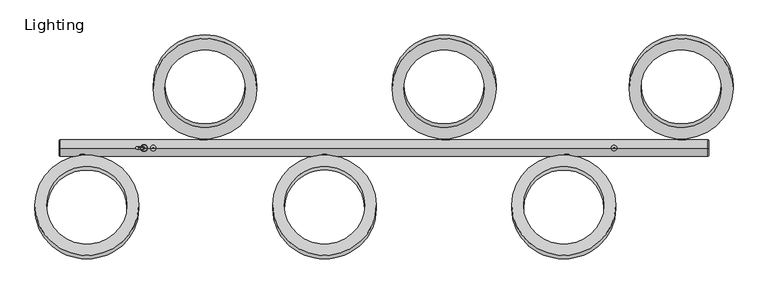
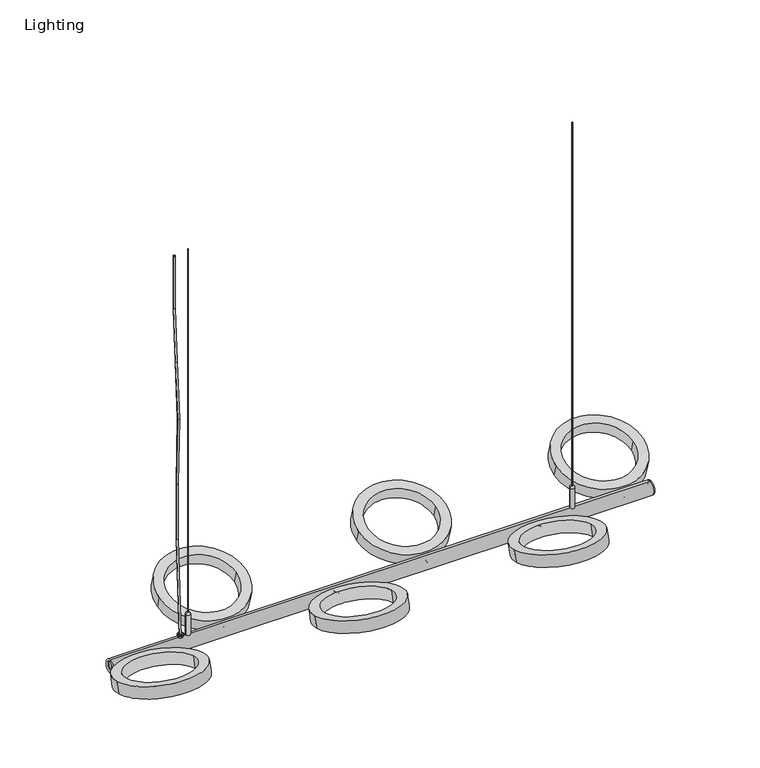
"""IFC4 building model written with IfcOpenShell, lengths in millimetres: furniture geometry, Lighting."""

from ifc_helpers import new_model, si_unit, point, frame, frame_2d, origin, place, context, project, spatial, polyline, circle_curve, ellipse_curve, trimmed, segment, composite_curve, outline, extrude, source, transform, mapped, element, save
from ifc_brep_helpers import plane_surface, cylinder_surface, revolved_surface, advanced_brep


def lighting_e802a962(model_context):
    return source(origin(), model_context, "Body", "SolidModel", [
        advanced_brep(
        [(768.35, 9.7185851, 1980.2969456), (768.35, 5.6744884, 1995.3897198), (768.35, 7.6965367, 1987.8433327), (768.35, 19.7969843, 1982.9974445), (768.35, 15.7528877, 1998.0902188), (768.35, 20.0515352, 1982.0474479), (768.35, 15.4983368, 1999.0402154), (768.35, 29.6146107, 1984.6098662), (768.35, 25.0614124, 2001.6026338), (768.35, 27.3380116, 1993.10625)],
        [
            (0, 1, circle_curve(frame((768.35, 7.6965367, 1987.8433327), z_axis=(0.0, -0.9659258262890604, -0.25881904510255016), x_axis=(0.0, -0.25881904510255016, 0.9659258262890604)), 7.8125948)),
            (1, 2),
            (2, 0),
            (1, 0, circle_curve(frame((768.35, 7.6965367, 1987.8433327), z_axis=(0.0, -0.9659258262890604, -0.25881904510255016), x_axis=(0.0, -0.25881904510255016, 0.9659258262890604)), 7.8125948)),
            (3, 4, circle_curve(frame((768.35, 17.774936, 1990.5438316), z_axis=(0.0, -0.9659258262890604, -0.25881904510255016), x_axis=(0.0, -0.25881904510255016, 0.9659258262890604)), 7.8125948)),
            (4, 1),
            (0, 3),
            (4, 3, circle_curve(frame((768.35, 17.774936, 1990.5438316), z_axis=(0.0, -0.9659258262890604, -0.25881904510255016), x_axis=(0.0, -0.25881904510255016, 0.9659258262890604)), 7.8125948)),
            (5, 6, circle_curve(frame((768.35, 17.774936, 1990.5438316), z_axis=(0.0, -0.9659258262890604, -0.25881904510255016), x_axis=(0.0, -0.25881904510255016, 0.9659258262890604)), 8.7961037)),
            (6, 4),
            (3, 5),
            (6, 5, circle_curve(frame((768.35, 17.774936, 1990.5438316), z_axis=(0.0, -0.9659258262890604, -0.25881904510255016), x_axis=(0.0, -0.25881904510255016, 0.9659258262890604)), 8.7961037)),
            (7, 8, circle_curve(frame((768.35, 27.3380116, 1993.10625), z_axis=(0.0, -0.9659258262890604, -0.25881904510255016), x_axis=(0.0, -0.25881904510255016, 0.9659258262890604)), 8.7961037)),
            (8, 6),
            (5, 7),
            (8, 7, circle_curve(frame((768.35, 27.3380116, 1993.10625), z_axis=(0.0, -0.9659258262890604, -0.25881904510255016), x_axis=(0.0, -0.25881904510255016, 0.9659258262890604)), 8.7961037)),
            (9, 8),
            (7, 9),
        ],
        [
            plane_surface(frame((768.35, 7.6965367, 1987.8433327), z_axis=(0.0, -0.9659258262890604, -0.25881904510255016), x_axis=(0.0, -0.25881904510255016, 0.9659258262890604))),
            cylinder_surface(frame((768.35, 22.6111209, 1991.8396835), z_axis=(0.0, 0.9659258262890604, 0.25881904510255016), x_axis=(0.0, -0.25881904510255016, 0.9659258262890604)), 7.8125948),
            plane_surface(frame((768.35, 17.774936, 1990.5438316), z_axis=(0.0, -0.9659258262890604, -0.25881904510255016), x_axis=(0.0, -0.25881904510255016, 0.9659258262890604))),
            cylinder_surface(frame((768.35, 22.6111209, 1991.8396835), z_axis=(0.0, 0.9659258262890604, 0.25881904510255016), x_axis=(0.0, -0.25881904510255016, 0.9659258262890604)), 8.7961037),
            plane_surface(frame((768.35, 27.3380116, 1993.10625), z_axis=(0.0, 0.9659258262890604, 0.25881904510255016), x_axis=(0.0, -0.25881904510255016, 0.9659258262890604))),
        ],
        [
            (0, [[1, 2, 3]]),
            (0, [[4, -3, -2]]),
            (1, [[5, 6, -1, 7]]),
            (1, [[8, -7, -4, -6]]),
            (2, [[9, 10, -5, 11]]),
            (2, [[12, -11, -8, -10]]),
            (3, [[13, 14, -9, 15]]),
            (3, [[16, -15, -12, -14]]),
            (4, [[17, -13, 18]]),
            (4, [[-18, -16, -17]]),
        ],
    ),
        advanced_brep(
        [(260.35, 9.7185851, 1980.2969456), (260.35, 5.6744884, 1995.3897198), (260.35, 7.6965367, 1987.8433327), (260.35, 19.7969843, 1982.9974445), (260.35, 15.7528877, 1998.0902188), (260.35, 20.0515352, 1982.0474479), (260.35, 15.4983368, 1999.0402154), (260.35, 29.6146107, 1984.6098662), (260.35, 25.0614124, 2001.6026338), (260.35, 27.3380116, 1993.10625)],
        [
            (0, 1, circle_curve(frame((260.35, 7.6965367, 1987.8433327), z_axis=(0.0, -0.9659258262890604, -0.25881904510255016), x_axis=(0.0, -0.25881904510255016, 0.9659258262890604)), 7.8125948)),
            (1, 2),
            (2, 0),
            (1, 0, circle_curve(frame((260.35, 7.6965367, 1987.8433327), z_axis=(0.0, -0.9659258262890604, -0.25881904510255016), x_axis=(0.0, -0.25881904510255016, 0.9659258262890604)), 7.8125948)),
            (3, 4, circle_curve(frame((260.35, 17.774936, 1990.5438316), z_axis=(0.0, -0.9659258262890604, -0.25881904510255016), x_axis=(0.0, -0.25881904510255016, 0.9659258262890604)), 7.8125948)),
            (4, 1),
            (0, 3),
            (4, 3, circle_curve(frame((260.35, 17.774936, 1990.5438316), z_axis=(0.0, -0.9659258262890604, -0.25881904510255016), x_axis=(0.0, -0.25881904510255016, 0.9659258262890604)), 7.8125948)),
            (5, 6, circle_curve(frame((260.35, 17.774936, 1990.5438316), z_axis=(0.0, -0.9659258262890604, -0.25881904510255016), x_axis=(0.0, -0.25881904510255016, 0.9659258262890604)), 8.7961037)),
            (6, 4),
            (3, 5),
            (6, 5, circle_curve(frame((260.35, 17.774936, 1990.5438316), z_axis=(0.0, -0.9659258262890604, -0.25881904510255016), x_axis=(0.0, -0.25881904510255016, 0.9659258262890604)), 8.7961037)),
            (7, 8, circle_curve(frame((260.35, 27.3380116, 1993.10625), z_axis=(0.0, -0.9659258262890604, -0.25881904510255016), x_axis=(0.0, -0.25881904510255016, 0.9659258262890604)), 8.7961037)),
            (8, 6),
            (5, 7),
            (8, 7, circle_curve(frame((260.35, 27.3380116, 1993.10625), z_axis=(0.0, -0.9659258262890604, -0.25881904510255016), x_axis=(0.0, -0.25881904510255016, 0.9659258262890604)), 8.7961037)),
            (9, 8),
            (7, 9),
        ],
        [
            plane_surface(frame((260.35, 7.6965367, 1987.8433327), z_axis=(0.0, -0.9659258262890604, -0.25881904510255016), x_axis=(0.0, -0.25881904510255016, 0.9659258262890604))),
            cylinder_surface(frame((260.35, 22.6111209, 1991.8396835), z_axis=(0.0, 0.9659258262890604, 0.25881904510255016), x_axis=(0.0, -0.25881904510255016, 0.9659258262890604)), 7.8125948),
            plane_surface(frame((260.35, 17.774936, 1990.5438316), z_axis=(0.0, -0.9659258262890604, -0.25881904510255016), x_axis=(0.0, -0.25881904510255016, 0.9659258262890604))),
            cylinder_surface(frame((260.35, 22.6111209, 1991.8396835), z_axis=(0.0, 0.9659258262890604, 0.25881904510255016), x_axis=(0.0, -0.25881904510255016, 0.9659258262890604)), 8.7961037),
            plane_surface(frame((260.35, 27.3380116, 1993.10625), z_axis=(0.0, 0.9659258262890604, 0.25881904510255016), x_axis=(0.0, -0.25881904510255016, 0.9659258262890604))),
        ],
        [
            (0, [[1, 2, 3]]),
            (0, [[4, -3, -2]]),
            (1, [[5, 6, -1, 7]]),
            (1, [[8, -7, -4, -6]]),
            (2, [[9, 10, -5, 11]]),
            (2, [[12, -11, -8, -10]]),
            (3, [[13, 14, -9, 15]]),
            (3, [[16, -15, -12, -14]]),
            (4, [[17, -13, 18]]),
            (4, [[-18, -16, -17]]),
        ],
    ),
        advanced_brep(
        [(-260.35, 7.6965367, 1987.8433327), (-260.35, 5.6744884, 1995.3897198), (-260.35, 9.7185851, 1980.2969456), (-260.35, 15.7528877, 1998.0902188), (-260.35, 19.7969843, 1982.9974445), (-260.35, 15.4983368, 1999.0402154), (-260.35, 20.0515352, 1982.0474479), (-260.35, 25.0614124, 2001.6026338), (-260.35, 29.6146107, 1984.6098662), (-260.35, 27.3380116, 1993.10625)],
        [
            (0, 1),
            (1, 2, circle_curve(frame((-260.35, 7.6965367, 1987.8433327), z_axis=(0.0, -0.9659258262890604, -0.25881904510255016), x_axis=(0.0, -0.25881904510255016, 0.9659258262890604)), 7.8125948)),
            (2, 0),
            (2, 1, circle_curve(frame((-260.35, 7.6965367, 1987.8433327), z_axis=(0.0, -0.9659258262890604, -0.25881904510255016), x_axis=(0.0, -0.25881904510255016, 0.9659258262890604)), 7.8125948)),
            (1, 3),
            (3, 4, circle_curve(frame((-260.35, 17.774936, 1990.5438316), z_axis=(0.0, -0.9659258262890604, -0.25881904510255016), x_axis=(0.0, -0.25881904510255016, 0.9659258262890604)), 7.8125948)),
            (4, 2),
            (4, 3, circle_curve(frame((-260.35, 17.774936, 1990.5438316), z_axis=(0.0, -0.9659258262890604, -0.25881904510255016), x_axis=(0.0, -0.25881904510255016, 0.9659258262890604)), 7.8125948)),
            (3, 5),
            (5, 6, circle_curve(frame((-260.35, 17.774936, 1990.5438316), z_axis=(0.0, -0.9659258262890604, -0.25881904510255016), x_axis=(0.0, -0.25881904510255016, 0.9659258262890604)), 8.7961037)),
            (6, 4),
            (6, 5, circle_curve(frame((-260.35, 17.774936, 1990.5438316), z_axis=(0.0, -0.9659258262890604, -0.25881904510255016), x_axis=(0.0, -0.25881904510255016, 0.9659258262890604)), 8.7961037)),
            (5, 7),
            (7, 8, circle_curve(frame((-260.35, 27.3380116, 1993.10625), z_axis=(0.0, -0.9659258262890604, -0.25881904510255016), x_axis=(0.0, -0.25881904510255016, 0.9659258262890604)), 8.7961037)),
            (8, 6),
            (8, 7, circle_curve(frame((-260.35, 27.3380116, 1993.10625), z_axis=(0.0, -0.9659258262890604, -0.25881904510255016), x_axis=(0.0, -0.25881904510255016, 0.9659258262890604)), 8.7961037)),
            (7, 9),
            (9, 8),
        ],
        [
            plane_surface(frame((-260.35, 7.6965367, 1987.8433327), z_axis=(0.0, -0.9659258262890604, -0.25881904510255016), x_axis=(0.0, -0.25881904510255016, 0.9659258262890604))),
            cylinder_surface(frame((-260.35, 22.6111209, 1991.8396835), z_axis=(0.0, -0.9659258262890604, -0.25881904510255016), x_axis=(0.0, -0.25881904510255016, 0.9659258262890604)), 7.8125948),
            plane_surface(frame((-260.35, 17.774936, 1990.5438316), z_axis=(0.0, -0.9659258262890604, -0.25881904510255016), x_axis=(0.0, -0.25881904510255016, 0.9659258262890604))),
            cylinder_surface(frame((-260.35, 22.6111209, 1991.8396835), z_axis=(0.0, -0.9659258262890604, -0.25881904510255016), x_axis=(0.0, -0.25881904510255016, 0.9659258262890604)), 8.7961037),
            plane_surface(frame((-260.35, 27.3380116, 1993.10625), z_axis=(0.0, 0.9659258262890604, 0.25881904510255016), x_axis=(0.0, -0.25881904510255016, 0.9659258262890604))),
        ],
        [
            (0, [[1, 2, 3]]),
            (0, [[-3, 4, -1]]),
            (1, [[-2, 5, 6, 7]]),
            (1, [[-4, -7, 8, -5]]),
            (2, [[-6, 9, 10, 11]]),
            (2, [[-8, -11, 12, -9]]),
            (3, [[-10, 13, 14, 15]]),
            (3, [[-12, -15, 16, -13]]),
            (4, [[-14, 17, 18]]),
            (4, [[-16, -18, -17]]),
        ],
    ),
        advanced_brep(
        [(-520.7, -9.7185851, 1989.8219456), (-520.7, -5.6744884, 2004.9147198), (-520.7, -7.6965367, 1997.3683327), (-520.7, -19.7969843, 1992.5224445), (-520.7, -15.7528877, 2007.6152188), (-520.7, -20.0515352, 1991.5724479), (-520.7, -15.4983368, 2008.5652154), (-520.7, -29.6146107, 1994.1348662), (-520.7, -25.0614124, 2011.1276338), (-520.7, -27.3380116, 2002.63125)],
        [
            (0, 1, circle_curve(frame((-520.7, -7.6965367, 1997.3683327), z_axis=(0.0, 0.9659258262890604, -0.25881904510255016), x_axis=(0.0, 0.25881904510255016, 0.9659258262890604)), 7.8125948)),
            (1, 2),
            (2, 0),
            (1, 0, circle_curve(frame((-520.7, -7.6965367, 1997.3683327), z_axis=(0.0, 0.9659258262890604, -0.25881904510255016), x_axis=(0.0, 0.25881904510255016, 0.9659258262890604)), 7.8125948)),
            (3, 4, circle_curve(frame((-520.7, -17.774936, 2000.0688316), z_axis=(0.0, 0.9659258262890604, -0.25881904510255016), x_axis=(0.0, 0.25881904510255016, 0.9659258262890604)), 7.8125948)),
            (4, 1),
            (0, 3),
            (4, 3, circle_curve(frame((-520.7, -17.774936, 2000.0688316), z_axis=(0.0, 0.9659258262890604, -0.25881904510255016), x_axis=(0.0, 0.25881904510255016, 0.9659258262890604)), 7.8125948)),
            (5, 6, circle_curve(frame((-520.7, -17.774936, 2000.0688316), z_axis=(0.0, 0.9659258262890604, -0.25881904510255016), x_axis=(0.0, 0.25881904510255016, 0.9659258262890604)), 8.7961037)),
            (6, 4),
            (3, 5),
            (6, 5, circle_curve(frame((-520.7, -17.774936, 2000.0688316), z_axis=(0.0, 0.9659258262890604, -0.25881904510255016), x_axis=(0.0, 0.25881904510255016, 0.9659258262890604)), 8.7961037)),
            (7, 8, circle_curve(frame((-520.7, -27.3380116, 2002.63125), z_axis=(0.0, 0.9659258262890604, -0.25881904510255016), x_axis=(0.0, 0.25881904510255016, 0.9659258262890604)), 8.7961037)),
            (8, 6),
            (5, 7),
            (8, 7, circle_curve(frame((-520.7, -27.3380116, 2002.63125), z_axis=(0.0, 0.9659258262890604, -0.25881904510255016), x_axis=(0.0, 0.25881904510255016, 0.9659258262890604)), 8.7961037)),
            (9, 8),
            (7, 9),
        ],
        [
            plane_surface(frame((-520.7, -7.6965367, 1997.3683327), z_axis=(0.0, 0.9659258262890604, -0.25881904510255016), x_axis=(0.0, 0.25881904510255016, 0.9659258262890604))),
            cylinder_surface(frame((-520.7, -22.6111209, 2001.3646835), z_axis=(0.0, -0.9659258262890604, 0.25881904510255016), x_axis=(0.0, 0.25881904510255016, 0.9659258262890604)), 7.8125948),
            plane_surface(frame((-520.7, -17.774936, 2000.0688316), z_axis=(0.0, 0.9659258262890604, -0.25881904510255016), x_axis=(0.0, 0.25881904510255016, 0.9659258262890604))),
            cylinder_surface(frame((-520.7, -22.6111209, 2001.3646835), z_axis=(0.0, -0.9659258262890604, 0.25881904510255016), x_axis=(0.0, 0.25881904510255016, 0.9659258262890604)), 8.7961037),
            plane_surface(frame((-520.7, -27.3380116, 2002.63125), z_axis=(0.0, -0.9659258262890604, 0.25881904510255016), x_axis=(0.0, 0.25881904510255016, 0.9659258262890604))),
        ],
        [
            (0, [[1, 2, 3]]),
            (0, [[4, -3, -2]]),
            (1, [[5, 6, -1, 7]]),
            (1, [[8, -7, -4, -6]]),
            (2, [[9, 10, -5, 11]]),
            (2, [[12, -11, -8, -10]]),
            (3, [[13, 14, -9, 15]]),
            (3, [[16, -15, -12, -14]]),
            (4, [[17, -13, 18]]),
            (4, [[-18, -16, -17]]),
        ],
    ),
        advanced_brep(
        [(520.7, -7.6965367, 1997.3683327), (520.7, -5.6744884, 2004.9147198), (520.7, -9.7185851, 1989.8219456), (520.7, -15.7528877, 2007.6152188), (520.7, -19.7969843, 1992.5224445), (520.7, -15.4983368, 2008.5652154), (520.7, -20.0515352, 1991.5724479), (520.7, -25.0614124, 2011.1276338), (520.7, -29.6146107, 1994.1348662), (520.7, -27.3380116, 2002.63125)],
        [
            (0, 1),
            (1, 2, circle_curve(frame((520.7, -7.6965367, 1997.3683327), z_axis=(0.0, 0.9659258262890604, -0.25881904510255016), x_axis=(0.0, 0.25881904510255016, 0.9659258262890604)), 7.8125948)),
            (2, 0),
            (2, 1, circle_curve(frame((520.7, -7.6965367, 1997.3683327), z_axis=(0.0, 0.9659258262890604, -0.25881904510255016), x_axis=(0.0, 0.25881904510255016, 0.9659258262890604)), 7.8125948)),
            (1, 3),
            (3, 4, circle_curve(frame((520.7, -17.774936, 2000.0688316), z_axis=(0.0, 0.9659258262890604, -0.25881904510255016), x_axis=(0.0, 0.25881904510255016, 0.9659258262890604)), 7.8125948)),
            (4, 2),
            (4, 3, circle_curve(frame((520.7, -17.774936, 2000.0688316), z_axis=(0.0, 0.9659258262890604, -0.25881904510255016), x_axis=(0.0, 0.25881904510255016, 0.9659258262890604)), 7.8125948)),
            (3, 5),
            (5, 6, circle_curve(frame((520.7, -17.774936, 2000.0688316), z_axis=(0.0, 0.9659258262890604, -0.25881904510255016), x_axis=(0.0, 0.25881904510255016, 0.9659258262890604)), 8.7961037)),
            (6, 4),
            (6, 5, circle_curve(frame((520.7, -17.774936, 2000.0688316), z_axis=(0.0, 0.9659258262890604, -0.25881904510255016), x_axis=(0.0, 0.25881904510255016, 0.9659258262890604)), 8.7961037)),
            (5, 7),
            (7, 8, circle_curve(frame((520.7, -27.3380116, 2002.63125), z_axis=(0.0, 0.9659258262890604, -0.25881904510255016), x_axis=(0.0, 0.25881904510255016, 0.9659258262890604)), 8.7961037)),
            (8, 6),
            (8, 7, circle_curve(frame((520.7, -27.3380116, 2002.63125), z_axis=(0.0, 0.9659258262890604, -0.25881904510255016), x_axis=(0.0, 0.25881904510255016, 0.9659258262890604)), 8.7961037)),
            (7, 9),
            (9, 8),
        ],
        [
            plane_surface(frame((520.7, -7.6965367, 1997.3683327), z_axis=(0.0, 0.9659258262890604, -0.25881904510255016), x_axis=(0.0, 0.25881904510255016, 0.9659258262890604))),
            cylinder_surface(frame((520.7, -22.6111209, 2001.3646835), z_axis=(0.0, 0.9659258262890604, -0.25881904510255016), x_axis=(0.0, 0.25881904510255016, 0.9659258262890604)), 7.8125948),
            plane_surface(frame((520.7, -17.774936, 2000.0688316), z_axis=(0.0, 0.9659258262890604, -0.25881904510255016), x_axis=(0.0, 0.25881904510255016, 0.9659258262890604))),
            cylinder_surface(frame((520.7, -22.6111209, 2001.3646835), z_axis=(0.0, 0.9659258262890604, -0.25881904510255016), x_axis=(0.0, 0.25881904510255016, 0.9659258262890604)), 8.7961037),
            plane_surface(frame((520.7, -27.3380116, 2002.63125), z_axis=(0.0, -0.9659258262890604, 0.25881904510255016), x_axis=(0.0, 0.25881904510255016, 0.9659258262890604))),
        ],
        [
            (0, [[1, 2, 3]]),
            (0, [[-3, 4, -1]]),
            (1, [[-2, 5, 6, 7]]),
            (1, [[-4, -7, 8, -5]]),
            (2, [[-6, 9, 10, 11]]),
            (2, [[-8, -11, 12, -9]]),
            (3, [[-10, 13, 14, 15]]),
            (3, [[-12, -15, 16, -13]]),
            (4, [[-14, 17, 18]]),
            (4, [[-16, -18, -17]]),
        ],
    ),
        advanced_brep(
        [(0.0, -9.7185851, 1989.8219456), (0.0, -5.6744884, 2004.9147198), (0.0, -7.6965367, 1997.3683327), (0.0, -19.7969843, 1992.5224445), (0.0, -15.7528877, 2007.6152188), (0.0, -20.0515352, 1991.5724479), (0.0, -15.4983368, 2008.5652154), (0.0, -29.6146107, 1994.1348662), (0.0, -25.0614124, 2011.1276338), (0.0, -27.3380116, 2002.63125)],
        [
            (0, 1, circle_curve(frame((0.0, -7.6965367, 1997.3683327), z_axis=(0.0, 0.9659258262890604, -0.25881904510255016), x_axis=(0.0, 0.25881904510255016, 0.9659258262890604)), 7.8125948)),
            (1, 2),
            (2, 0),
            (1, 0, circle_curve(frame((0.0, -7.6965367, 1997.3683327), z_axis=(0.0, 0.9659258262890604, -0.25881904510255016), x_axis=(0.0, 0.25881904510255016, 0.9659258262890604)), 7.8125948)),
            (3, 4, circle_curve(frame((0.0, -17.774936, 2000.0688316), z_axis=(0.0, 0.9659258262890604, -0.25881904510255016), x_axis=(0.0, 0.25881904510255016, 0.9659258262890604)), 7.8125948)),
            (4, 1),
            (0, 3),
            (4, 3, circle_curve(frame((0.0, -17.774936, 2000.0688316), z_axis=(0.0, 0.9659258262890604, -0.25881904510255016), x_axis=(0.0, 0.25881904510255016, 0.9659258262890604)), 7.8125948)),
            (5, 6, circle_curve(frame((0.0, -17.774936, 2000.0688316), z_axis=(0.0, 0.9659258262890604, -0.25881904510255016), x_axis=(0.0, 0.25881904510255016, 0.9659258262890604)), 8.7961037)),
            (6, 4),
            (3, 5),
            (6, 5, circle_curve(frame((0.0, -17.774936, 2000.0688316), z_axis=(0.0, 0.9659258262890604, -0.25881904510255016), x_axis=(0.0, 0.25881904510255016, 0.9659258262890604)), 8.7961037)),
            (7, 8, circle_curve(frame((0.0, -27.3380116, 2002.63125), z_axis=(0.0, 0.9659258262890604, -0.25881904510255016), x_axis=(0.0, 0.25881904510255016, 0.9659258262890604)), 8.7961037)),
            (8, 6),
            (5, 7),
            (8, 7, circle_curve(frame((0.0, -27.3380116, 2002.63125), z_axis=(0.0, 0.9659258262890604, -0.25881904510255016), x_axis=(0.0, 0.25881904510255016, 0.9659258262890604)), 8.7961037)),
            (9, 8),
            (7, 9),
        ],
        [
            plane_surface(frame((0.0, -7.6965367, 1997.3683327), z_axis=(0.0, 0.9659258262890604, -0.25881904510255016), x_axis=(0.0, 0.25881904510255016, 0.9659258262890604))),
            cylinder_surface(frame((0.0, -22.6111209, 2001.3646835), z_axis=(0.0, -0.9659258262890604, 0.25881904510255016), x_axis=(0.0, 0.25881904510255016, 0.9659258262890604)), 7.8125948),
            plane_surface(frame((0.0, -17.774936, 2000.0688316), z_axis=(0.0, 0.9659258262890604, -0.25881904510255016), x_axis=(0.0, 0.25881904510255016, 0.9659258262890604))),
            cylinder_surface(frame((0.0, -22.6111209, 2001.3646835), z_axis=(0.0, -0.9659258262890604, 0.25881904510255016), x_axis=(0.0, 0.25881904510255016, 0.9659258262890604)), 8.7961037),
            plane_surface(frame((0.0, -27.3380116, 2002.63125), z_axis=(0.0, -0.9659258262890604, 0.25881904510255016), x_axis=(0.0, 0.25881904510255016, 0.9659258262890604))),
        ],
        [
            (0, [[1, 2, 3]]),
            (0, [[4, -3, -2]]),
            (1, [[5, 6, -1, 7]]),
            (1, [[8, -7, -4, -6]]),
            (2, [[9, 10, -5, 11]]),
            (2, [[12, -11, -8, -10]]),
            (3, [[13, 14, -9, 15]]),
            (3, [[16, -15, -12, -14]]),
            (4, [[17, -13, 18]]),
            (4, [[-18, -16, -17]]),
        ],
    ),
        advanced_brep(
        [(622.5283654, 0.0, 3061.0529823), (623.4149029, 0.0, 3061.0529823), (621.641828, 0.0, 3061.0529823), (623.4149029, 0.0, 2070.6990863), (621.641828, 0.0, 2070.6990863), (628.3380399, 0.0, 2065.7759493), (616.718691, 0.0, 2065.7759493), (628.3380399, 0.0, 2011.263222), (616.718691, 0.0, 2011.263222), (622.5283654, 0.0, 2011.263222)],
        [
            (0, 1),
            (1, 2, circle_curve(frame((622.5283654, 0.0, 3061.0529823), z_axis=(0.0, 0.0, 1.0), x_axis=(1.0, 0.0, 0.0)), 0.8865375)),
            (2, 0),
            (2, 1, circle_curve(frame((622.5283654, 0.0, 3061.0529823), z_axis=(0.0, 0.0, 1.0), x_axis=(1.0, 0.0, 0.0)), 0.8865375)),
            (1, 3),
            (3, 4, circle_curve(frame((622.5283654, 0.0, 2070.6990863), z_axis=(0.0, 0.0, 1.0), x_axis=(1.0, 0.0, 0.0)), 0.8865375)),
            (4, 2),
            (4, 3, circle_curve(frame((622.5283654, 0.0, 2070.6990863), z_axis=(0.0, 0.0, 1.0), x_axis=(1.0, 0.0, 0.0)), 0.8865375)),
            (3, 5, circle_curve(frame((623.4149029, 0.0, 2065.7759493), z_axis=(0.0, 1.0, 0.0), x_axis=(-1.0, 0.0, 0.0)), 4.923137)),
            (5, 6, circle_curve(frame((622.5283654, 0.0, 2065.7759493), z_axis=(0.0, 0.0, 1.0), x_axis=(1.0, 0.0, 0.0)), 5.8096745)),
            (6, 4, circle_curve(frame((621.641828, 0.0, 2065.7759493), z_axis=(0.0, 1.0, 0.0), x_axis=(1.0, 0.0, 0.0)), 4.923137)),
            (6, 5, circle_curve(frame((622.5283654, 0.0, 2065.7759493), z_axis=(0.0, 0.0, 1.0), x_axis=(1.0, 0.0, 0.0)), 5.8096745)),
            (5, 7),
            (7, 8, circle_curve(frame((622.5283654, 0.0, 2011.263222), z_axis=(0.0, 0.0, 1.0), x_axis=(1.0, 0.0, 0.0)), 5.8096745)),
            (8, 6),
            (8, 7, circle_curve(frame((622.5283654, 0.0, 2011.263222), z_axis=(0.0, 0.0, 1.0), x_axis=(1.0, 0.0, 0.0)), 5.8096745)),
            (7, 9),
            (9, 8),
        ],
        [
            plane_surface(frame((622.5283654, 0.0, 3061.0529823), z_axis=(0.0, 0.0, 1.0), x_axis=(1.0, 0.0, 0.0))),
            cylinder_surface(frame((622.5283654, 0.0, 2046.0021202), z_axis=(0.0, 0.0, 1.0), x_axis=(1.0, 0.0, 0.0)), 0.8865375),
            revolved_surface(trimmed(ellipse_curve(frame((623.4149029, 0.0, 2065.7759493), z_axis=(0.0, -1.0, 0.0), x_axis=(-1.0, 0.0, 0.0)), 4.923137, 4.923137), [point((628.3380399, 0.0, 2065.7759493))], [point((623.4149029, 0.0, 2070.6990863))], True, "CARTESIAN"), (622.5283654, 0.0, 2046.0021202), (0.0, 0.0, 1.0)),
            cylinder_surface(frame((622.5283654, 0.0, 2046.0021202), z_axis=(0.0, 0.0, 1.0), x_axis=(1.0, 0.0, 0.0)), 5.8096745),
            plane_surface(frame((622.5283654, 0.0, 2011.263222), z_axis=(0.0, 0.0, -1.0), x_axis=(1.0, 0.0, 0.0))),
        ],
        [
            (0, [[1, 2, 3]]),
            (0, [[-3, 4, -1]]),
            (1, [[-2, 5, 6, 7]]),
            (1, [[-4, -7, 8, -5]]),
            (2, [[-6, 9, 10, 11]]),
            (2, [[-8, -11, 12, -9]]),
            (3, [[-10, 13, 14, 15]]),
            (3, [[-12, -15, 16, -13]]),
            (4, [[-14, 17, 18]]),
            (4, [[-16, -18, -17]]),
        ],
    ),
        advanced_brep(
        [(-367.641828, 0.0, 3062.6404823), (-369.4149029, 0.0, 3062.6404823), (-368.5283654, 0.0, 3062.6404823), (-367.641828, 0.0, 2072.2865863), (-369.4149029, 0.0, 2072.2865863), (-362.718691, 0.0, 2067.3634493), (-374.3380399, 0.0, 2067.3634493), (-362.718691, 0.0, 2012.850722), (-374.3380399, 0.0, 2012.850722), (-368.5283654, 0.0, 2012.850722)],
        [
            (0, 1, circle_curve(frame((-368.5283654, 0.0, 3062.6404823), z_axis=(0.0, 0.0, 1.0), x_axis=(-1.0, 0.0, 0.0)), 0.8865375)),
            (1, 2),
            (2, 0),
            (1, 0, circle_curve(frame((-368.5283654, 0.0, 3062.6404823), z_axis=(0.0, 0.0, 1.0), x_axis=(-1.0, 0.0, 0.0)), 0.8865375)),
            (3, 4, circle_curve(frame((-368.5283654, 0.0, 2072.2865863), z_axis=(0.0, 0.0, 1.0), x_axis=(-1.0, 0.0, 0.0)), 0.8865375)),
            (4, 1),
            (0, 3),
            (4, 3, circle_curve(frame((-368.5283654, 0.0, 2072.2865863), z_axis=(0.0, 0.0, 1.0), x_axis=(-1.0, 0.0, 0.0)), 0.8865375)),
            (5, 6, circle_curve(frame((-368.5283654, 0.0, 2067.3634493), z_axis=(0.0, 0.0, 1.0), x_axis=(-1.0, 0.0, 0.0)), 5.8096745)),
            (6, 4, circle_curve(frame((-369.4149029, 0.0, 2067.3634493), z_axis=(0.0, 1.0, 0.0), x_axis=(1.0, 0.0, 0.0)), 4.923137)),
            (3, 5, circle_curve(frame((-367.641828, 0.0, 2067.3634493), z_axis=(0.0, 1.0, 0.0), x_axis=(-1.0, 0.0, 0.0)), 4.923137)),
            (6, 5, circle_curve(frame((-368.5283654, 0.0, 2067.3634493), z_axis=(0.0, 0.0, 1.0), x_axis=(-1.0, 0.0, 0.0)), 5.8096745)),
            (7, 8, circle_curve(frame((-368.5283654, 0.0, 2012.850722), z_axis=(0.0, 0.0, 1.0), x_axis=(-1.0, 0.0, 0.0)), 5.8096745)),
            (8, 6),
            (5, 7),
            (8, 7, circle_curve(frame((-368.5283654, 0.0, 2012.850722), z_axis=(0.0, 0.0, 1.0), x_axis=(-1.0, 0.0, 0.0)), 5.8096745)),
            (9, 8),
            (7, 9),
        ],
        [
            plane_surface(frame((-368.5283654, 0.0, 3062.6404823), z_axis=(0.0, 0.0, 1.0), x_axis=(-1.0, 0.0, 0.0))),
            cylinder_surface(frame((-368.5283654, 0.0, 2047.5896202), z_axis=(0.0, 0.0, -1.0), x_axis=(-1.0, 0.0, 0.0)), 0.8865375),
            revolved_surface(trimmed(ellipse_curve(frame((-369.4149029, 0.0, 2067.3634493), z_axis=(0.0, -1.0, 0.0), x_axis=(1.0, 0.0, 0.0)), 4.923137, 4.923137), [point((-369.4149029, 0.0, 2072.2865863))], [point((-374.3380399, 0.0, 2067.3634493))], True, "CARTESIAN"), (-368.5283654, 0.0, 2047.5896202), (0.0, 0.0, -1.0)),
            cylinder_surface(frame((-368.5283654, 0.0, 2047.5896202), z_axis=(0.0, 0.0, -1.0), x_axis=(-1.0, 0.0, 0.0)), 5.8096745),
            plane_surface(frame((-368.5283654, 0.0, 2012.850722), z_axis=(0.0, 0.0, -1.0), x_axis=(-1.0, 0.0, 0.0))),
        ],
        [
            (0, [[1, 2, 3]]),
            (0, [[4, -3, -2]]),
            (1, [[5, 6, -1, 7]]),
            (1, [[8, -7, -4, -6]]),
            (2, [[9, 10, -5, 11]]),
            (2, [[12, -11, -8, -10]]),
            (3, [[13, 14, -9, 15]]),
            (3, [[16, -15, -12, -14]]),
            (4, [[17, -13, 18]]),
            (4, [[-18, -16, -17]]),
        ],
    ),
        advanced_brep(
        [(-388.073684, 0.0, 2012.5640255), (-394.0148185, 0.0, 2012.5640255), (-382.1325496, 0.0, 2012.5640255), (-381.9539944, 0.0, 2020.5014771), (-394.1933736, 0.0, 2020.5014771), (-388.073684, 0.0, 2020.5014771), (-380.7355418, 0.0, 2019.2830245), (-395.4118262, 0.0, 2019.2830245), (-380.7355418, 0.0, 2017.5144501), (-395.4118262, 0.0, 2017.5144501), (-382.1325496, 0.0, 2017.5144501), (-394.0148185, 0.0, 2017.5144501)],
        [
            (0, 1),
            (1, 2, circle_curve(frame((-388.073684, 0.0, 2012.5640255), z_axis=(0.0, 0.0, -1.0), x_axis=(-1.0, 0.0, 0.0)), 5.9411345)),
            (2, 0),
            (2, 1, circle_curve(frame((-388.073684, 0.0, 2012.5640255), z_axis=(0.0, 0.0, -1.0), x_axis=(-1.0, 0.0, 0.0)), 5.9411345)),
            (3, 4, circle_curve(frame((-388.073684, 0.0, 2020.5014771), z_axis=(0.0, 0.0, 1.0), x_axis=(-1.0, 0.0, 0.0)), 6.1196896)),
            (4, 5),
            (5, 3),
            (4, 3, circle_curve(frame((-388.073684, 0.0, 2020.5014771), z_axis=(0.0, 0.0, 1.0), x_axis=(-1.0, 0.0, 0.0)), 6.1196896)),
            (6, 7, circle_curve(frame((-388.073684, 0.0, 2019.2830245), z_axis=(0.0, 0.0, 1.0), x_axis=(-1.0, 0.0, 0.0)), 7.3381422)),
            (7, 4, circle_curve(frame((-394.1933736, 0.0, 2019.2830245), z_axis=(0.0, 1.0, 0.0), x_axis=(1.0, 0.0, 0.0)), 1.2184526)),
            (3, 6, circle_curve(frame((-381.9539944, 0.0, 2019.2830245), z_axis=(0.0, 1.0, 0.0), x_axis=(-1.0, 0.0, 0.0)), 1.2184526)),
            (7, 6, circle_curve(frame((-388.073684, 0.0, 2019.2830245), z_axis=(0.0, 0.0, 1.0), x_axis=(-1.0, 0.0, 0.0)), 7.3381422)),
            (8, 9, circle_curve(frame((-388.073684, 0.0, 2017.5144501), z_axis=(0.0, 0.0, 1.0), x_axis=(-1.0, 0.0, 0.0)), 7.3381422)),
            (9, 7),
            (6, 8),
            (9, 8, circle_curve(frame((-388.073684, 0.0, 2017.5144501), z_axis=(0.0, 0.0, 1.0), x_axis=(-1.0, 0.0, 0.0)), 7.3381422)),
            (10, 11, circle_curve(frame((-388.073684, 0.0, 2017.5144501), z_axis=(0.0, 0.0, 1.0), x_axis=(-1.0, 0.0, 0.0)), 5.9411345)),
            (11, 9),
            (8, 10),
            (11, 10, circle_curve(frame((-388.073684, 0.0, 2017.5144501), z_axis=(0.0, 0.0, 1.0), x_axis=(-1.0, 0.0, 0.0)), 5.9411345)),
            (1, 11),
            (10, 2),
        ],
        [
            plane_surface(frame((-388.073684, 0.0, 2012.5640255), z_axis=(0.0, 0.0, -1.0), x_axis=(-1.0, 0.0, 0.0))),
            plane_surface(frame((-388.073684, 0.0, 2020.5014771), z_axis=(0.0, 0.0, 1.0), x_axis=(-1.0, 0.0, 0.0))),
            revolved_surface(trimmed(ellipse_curve(frame((-394.1933736, 0.0, 2019.2830245), z_axis=(0.0, -1.0, 0.0), x_axis=(1.0, 0.0, 0.0)), 1.2184526, 1.2184526), [point((-394.1933736, 0.0, 2020.5014771))], [point((-395.4118262, 0.0, 2019.2830245))], True, "CARTESIAN"), (-388.073684, 0.0, 2015.0336929), (0.0, 0.0, -1.0)),
            cylinder_surface(frame((-388.073684, 0.0, 2015.0336929), z_axis=(0.0, 0.0, -1.0), x_axis=(-1.0, 0.0, 0.0)), 7.3381422),
            plane_surface(frame((-388.073684, 0.0, 2017.5144501), z_axis=(0.0, 0.0, -1.0), x_axis=(-1.0, 0.0, 0.0))),
            cylinder_surface(frame((-388.073684, 0.0, 2015.0336929), z_axis=(0.0, 0.0, -1.0), x_axis=(-1.0, 0.0, 0.0)), 5.9411345),
        ],
        [
            (0, [[1, 2, 3]]),
            (0, [[-3, 4, -1]]),
            (1, [[5, 6, 7]]),
            (1, [[8, -7, -6]]),
            (2, [[9, 10, -5, 11]]),
            (2, [[12, -11, -8, -10]]),
            (3, [[13, 14, -9, 15]]),
            (3, [[16, -15, -12, -14]]),
            (4, [[17, 18, -13, 19]]),
            (4, [[20, -19, -16, -18]]),
            (5, [[-2, 21, -17, 22]]),
            (5, [[-4, -22, -20, -21]]),
        ],
    ),
        advanced_brep(
        [(-406.1876028, 0.0, 3056.0976646), (-401.0901325, 0.0, 3056.0976646), (-406.1876028, 0.0, 2913.5649036), (-401.0901325, 0.0, 2913.5649036), (-396.0212844, 0.0, 2766.6421603), (-401.1066344, 0.0, 2766.2908521), (-390.0564099, 0.0, 2608.3573398), (-395.153777, 0.0, 2608.3249181), (-393.8415919, 0.0, 2432.9753762), (-398.9328136, 0.0, 2433.2276932), (-393.5347329, 0.0, 2282.3368089), (-398.6248845, 0.0, 2282.0637519), (-390.8856082, 0.0, 2011.0713837), (-385.7902159, 0.0, 2011.2169181)],
        [
            (0, 1, circle_curve(frame((-403.6388677, 0.0, 3056.0976646), z_axis=(0.0, 0.0, 1.0), x_axis=(1.0, 0.0, 0.0)), 2.5487351)),
            (1, 0, circle_curve(frame((-403.6388677, 0.0, 3056.0976646), z_axis=(0.0, 0.0, 1.0), x_axis=(1.0, 0.0, 0.0)), 2.5487351)),
            (0, 2),
            (2, 3, circle_curve(frame((-403.6388677, 0.0, 2913.5649036), z_axis=(0.0, 0.0, 1.0), x_axis=(1.0, 0.0, 0.0)), 2.5487351)),
            (3, 1),
            (3, 2, circle_curve(frame((-403.6388677, 0.0, 2913.5649036), z_axis=(0.0, 0.0, 1.0), x_axis=(1.0, 0.0, 0.0)), 2.5487351)),
            (4, 3, circle_curve(frame((1730.7537275, 0.0, 2913.5649036), z_axis=(0.0, 1.0, 0.0), x_axis=(-1.0, 0.0, 0.0)), 2131.8438601)),
            (2, 5, circle_curve(frame((1730.7537275, 0.0, 2913.5649036), z_axis=(0.0, -1.0, 0.0), x_axis=(-1.0, 0.0, 0.0)), 2136.9413303)),
            (5, 4, circle_curve(frame((-398.5639594, 0.0, 2766.4665062), z_axis=(-0.06891815391384377, 0.0, 0.9976223173431455), x_axis=(0.9976223173431455, 0.0, 0.06891815391384377)), 2.5487351)),
            (4, 5, circle_curve(frame((-398.5639594, 0.0, 2766.4665062), z_axis=(-0.06891815391384376, 0.0, 0.9976223173431455), x_axis=(0.9976223173431455, 0.0, 0.06891815391384376)), 2.5487351)),
            (6, 4, circle_curve(frame((-2920.2225631, 0.0, 2592.2642528), z_axis=(0.0, -1.0, 0.0), x_axis=(0.9976223173431437, 0.0, 0.06891815391387066)), 2530.2173326)),
            (5, 7, circle_curve(frame((-2920.2225631, 0.0, 2592.2642528), z_axis=(0.0, 1.0, 0.0), x_axis=(0.9976223173431437, 0.0, 0.06891815391387066)), 2525.1198624)),
            (7, 6, circle_curve(frame((-392.6050935, 0.0, 2608.3411289), z_axis=(-0.006360357598491503, 0.0, 0.9999797727210382), x_axis=(0.9999797727210382, 0.0, 0.006360357598491503)), 2.5487351)),
            (6, 7, circle_curve(frame((-392.6050935, 0.0, 2608.3411289), z_axis=(-0.006360357598491351, 0.0, 0.9999797727210382), x_axis=(0.9999797727210382, 0.0, 0.006360357598491351)), 2.5487351)),
            (8, 6, circle_curve(frame((-3529.7285631, 0.0, 2588.3874982), z_axis=(0.0, -1.0, 0.0), x_axis=(0.9999797727210382, 0.0, 0.006360357598488521)), 3139.7356615)),
            (7, 9, circle_curve(frame((-3529.7285631, 0.0, 2588.3874982), z_axis=(0.0, 1.0, 0.0), x_axis=(0.9999797727210382, 0.0, 0.006360357598488521)), 3134.6381913)),
            (9, 8, circle_curve(frame((-396.3872027, 0.0, 2433.1015347), z_axis=(0.04949847337989765, 0.0, 0.9987741992728184), x_axis=(0.9987741992728184, 0.0, -0.04949847337989765)), 2.5487351)),
            (8, 9, circle_curve(frame((-396.3872027, 0.0, 2433.1015347), z_axis=(0.04949847337989781, 0.0, 0.9987741992728184), x_axis=(0.9987741992728184, 0.0, -0.04949847337989781)), 2.5487351)),
            (10, 8, circle_curve(frame((1065.9458223, 0.0, 2360.629446), z_axis=(0.0, 1.0, 0.0), x_axis=(-0.9987741992728174, 0.0, 0.04949847337991733)), 1461.5790188)),
            (9, 11, circle_curve(frame((1065.9458223, 0.0, 2360.629446), z_axis=(0.0, -1.0, 0.0), x_axis=(-0.9987741992728174, 0.0, 0.04949847337991733)), 1466.6764891)),
            (11, 10, circle_curve(frame((-396.0798087, 0.0, 2282.2002804), z_axis=(-0.053567159974113474, 0.0, 0.9985642489956806), x_axis=(0.9985642489956806, 0.0, 0.053567159974113474)), 2.5487351)),
            (10, 11, circle_curve(frame((-396.0798087, 0.0, 2282.2002804), z_axis=(-0.05356715997411375, 0.0, 0.9985642489956806), x_axis=(0.9985642489956806, 0.0, 0.05356715997411375)), 2.5487351)),
            (12, 13, circle_curve(frame((-388.3379121, 0.0, 2011.1441509), z_axis=(0.028550325388541326, 0.0, -0.9995923563734411), x_axis=(0.9995923563734411, 0.0, 0.028550325388541326)), 2.5487351)),
            (13, 12, circle_curve(frame((-388.3379121, 0.0, 2011.1441509), z_axis=(0.028550325388541326, 0.0, -0.9995923563734411), x_axis=(0.9995923563734411, 0.0, 0.028550325388541326)), 2.5487351)),
            (11, 12),
            (13, 10),
        ],
        [
            plane_surface(frame((-403.6388677, 0.0, 3056.0976646), z_axis=(0.0, 0.0, 1.0), x_axis=(0.0, -1.0, 0.0))),
            cylinder_surface(frame((-403.6388677, 0.0, 3056.0976646), z_axis=(0.0, 0.0, 1.0), x_axis=(1.0, 0.0, 0.0)), 2.5487351),
            revolved_surface(trimmed(ellipse_curve(frame((-403.6388677, 0.0, 2913.5649036), z_axis=(0.0, 0.0, 1.0), x_axis=(1.0, 0.0, 0.0)), 2.5487351, 2.5487351), [point((-406.1876028, 0.0, 2913.5649036))], [point((-401.0901325, 0.0, 2913.5649036))], True, "CARTESIAN"), (1730.7537275, 0.0, 2913.5649036), (0.0, -1.0, 0.0)),
            revolved_surface(trimmed(ellipse_curve(frame((-403.6388677, 0.0, 2913.5649036), z_axis=(0.0, 0.0, 1.0), x_axis=(1.0, 0.0, 0.0)), 2.5487351, 2.5487351), [point((-401.0901325, 0.0, 2913.5649036))], [point((-406.1876028, 0.0, 2913.5649036))], True, "CARTESIAN"), (1730.7537275, 0.0, 2913.5649036), (0.0, -1.0, 0.0)),
            revolved_surface(trimmed(ellipse_curve(frame((-398.5639594, 0.0, 2766.4665062), z_axis=(-0.06891815391387066, 0.0, 0.9976223173431437), x_axis=(0.9976223173431437, 0.0, 0.06891815391387066)), 2.5487351, 2.5487351), [point((-401.1066344, 0.0, 2766.2908521))], [point((-396.0212844, 0.0, 2766.6421603))], True, "CARTESIAN"), (-2920.2225631, 0.0, 2592.2642528), (0.0, 1.0, 0.0)),
            revolved_surface(trimmed(ellipse_curve(frame((-398.5639594, 0.0, 2766.4665062), z_axis=(-0.06891815391387066, 0.0, 0.9976223173431437), x_axis=(0.9976223173431437, 0.0, 0.06891815391387066)), 2.5487351, 2.5487351), [point((-396.0212844, 0.0, 2766.6421603))], [point((-401.1066344, 0.0, 2766.2908521))], True, "CARTESIAN"), (-2920.2225631, 0.0, 2592.2642528), (0.0, 1.0, 0.0)),
            revolved_surface(trimmed(ellipse_curve(frame((-392.6050935, 0.0, 2608.3411289), z_axis=(-0.006360357598488516, 0.0, 0.9999797727210382), x_axis=(0.9999797727210382, 0.0, 0.006360357598488516)), 2.5487351, 2.5487351), [point((-395.153777, 0.0, 2608.3249181))], [point((-390.0564099, 0.0, 2608.3573398))], True, "CARTESIAN"), (-3529.7285631, 0.0, 2588.3874982), (0.0, 1.0, 0.0)),
            revolved_surface(trimmed(ellipse_curve(frame((-392.6050935, 0.0, 2608.3411289), z_axis=(-0.006360357598488516, 0.0, 0.9999797727210382), x_axis=(0.9999797727210382, 0.0, 0.006360357598488516)), 2.5487351, 2.5487351), [point((-390.0564099, 0.0, 2608.3573398))], [point((-395.153777, 0.0, 2608.3249181))], True, "CARTESIAN"), (-3529.7285631, 0.0, 2588.3874982), (0.0, 1.0, 0.0)),
            revolved_surface(trimmed(ellipse_curve(frame((-396.3872027, 0.0, 2433.1015347), z_axis=(0.04949847337991734, 0.0, 0.9987741992728174), x_axis=(0.9987741992728174, 0.0, -0.04949847337991734)), 2.5487351, 2.5487351), [point((-398.9328136, 0.0, 2433.2276932))], [point((-393.8415919, 0.0, 2432.9753762))], True, "CARTESIAN"), (1065.9458223, 0.0, 2360.629446), (0.0, -1.0, 0.0)),
            revolved_surface(trimmed(ellipse_curve(frame((-396.3872027, 0.0, 2433.1015347), z_axis=(0.04949847337991734, 0.0, 0.9987741992728174), x_axis=(0.9987741992728174, 0.0, -0.04949847337991734)), 2.5487351, 2.5487351), [point((-393.8415919, 0.0, 2432.9753762))], [point((-398.9328136, 0.0, 2433.2276932))], True, "CARTESIAN"), (1065.9458223, 0.0, 2360.629446), (0.0, -1.0, 0.0)),
            plane_surface(frame((-388.3379121, 0.0, 2011.1441509), z_axis=(0.028550325388541343, 0.0, -0.9995923563734411), x_axis=(0.0, -1.0, 0.0))),
            cylinder_surface(frame((-396.0798087, 0.0, 2282.2002804), z_axis=(-0.028550325388541326, 0.0, 0.9995923563734411), x_axis=(0.9995923563734411, 0.0, 0.028550325388541326)), 2.5487351),
        ],
        [
            (0, [[1, 2]]),
            (1, [[-1, 3, 4, 5]]),
            (1, [[-2, -5, 6, -3]]),
            (2, [[7, -4, 8, 9]]),
            (3, [[-8, -6, -7, 10]]),
            (4, [[11, -9, 12, 13]]),
            (5, [[-12, -10, -11, 14]]),
            (6, [[15, -13, 16, 17]]),
            (7, [[-16, -14, -15, 18]]),
            (8, [[19, -17, 20, 21]]),
            (9, [[-20, -18, -19, 22]]),
            (10, [[23, 24]]),
            (11, [[-21, 25, -24, 26]]),
            (11, [[-22, -26, -23, -25]]),
        ],
    ),
        extrude(outline(composite_curve([segment(trimmed(circle_curve(frame_2d((0.0, 86.36)), 111.6335668), [point((0.0, 197.9935668))], [point((0.0, -25.2735669))], False, "CARTESIAN"), True, "CONTINUOUS"), segment(trimmed(circle_curve(frame_2d((0.0, 86.36)), 111.6335668), [point((0.0, -25.2735669))], [point((0.0, 197.9935668))], False, "CARTESIAN"), True, "CONTINUOUS")], self_intersect=False), holes=[composite_curve([segment(trimmed(circle_curve(frame_2d((0.0, 86.36)), 86.36), [point((0.0, 172.72))], [point((0.0, 0.0))], True, "CARTESIAN"), True, "CONTINUOUS"), segment(trimmed(circle_curve(frame_2d((0.0, 86.36)), 86.36), [point((0.0, 0.0))], [point((0.0, 172.72))], True, "CARTESIAN"), True, "CONTINUOUS")], self_intersect=False)]), frame((600.5591234, -130.6400876, 2017.7263918), z_axis=(0.0, 0.25881904510252046, 0.9659258262890684), x_axis=(0.0, 0.9659258262890684, -0.25881904510252046)), (0.0, 0.0, 1.0), 30.2165928),
        extrude(outline(composite_curve([segment(trimmed(circle_curve(frame_2d((0.0, 86.36)), 111.6335668), [point((0.0, 197.9935668))], [point((0.0, -25.2735669))], False, "CARTESIAN"), True, "CONTINUOUS"), segment(trimmed(circle_curve(frame_2d((0.0, 86.36)), 111.6335668), [point((0.0, -25.2735669))], [point((0.0, 197.9935668))], False, "CARTESIAN"), True, "CONTINUOUS")], self_intersect=False), holes=[composite_curve([segment(trimmed(circle_curve(frame_2d((0.0, 86.36)), 86.36), [point((0.0, 172.72))], [point((0.0, 0.0))], True, "CARTESIAN"), True, "CONTINUOUS"), segment(trimmed(circle_curve(frame_2d((0.0, 86.36)), 86.36), [point((0.0, 0.0))], [point((0.0, 172.72))], True, "CARTESIAN"), True, "CONTINUOUS")], self_intersect=False)]), frame((86.2091234, -130.6400876, 2017.7263918), z_axis=(0.0, 0.25881904510252046, 0.9659258262890684), x_axis=(0.0, 0.9659258262890684, -0.25881904510252046)), (0.0, 0.0, 1.0), 30.2165928),
        extrude(outline(composite_curve([segment(trimmed(circle_curve(frame_2d((0.0, 86.36)), 111.6335668), [point((0.0, 197.9935668))], [point((0.0, -25.2735669))], False, "CARTESIAN"), True, "CONTINUOUS"), segment(trimmed(circle_curve(frame_2d((0.0, 86.36)), 111.6335668), [point((0.0, -25.2735669))], [point((0.0, 197.9935668))], False, "CARTESIAN"), True, "CONTINUOUS")], self_intersect=False), holes=[composite_curve([segment(trimmed(circle_curve(frame_2d((0.0, 86.36)), 86.36), [point((0.0, 172.72))], [point((0.0, 0.0))], True, "CARTESIAN"), True, "CONTINUOUS"), segment(trimmed(circle_curve(frame_2d((0.0, 86.36)), 86.36), [point((0.0, 0.0))], [point((0.0, 172.72))], True, "CARTESIAN"), True, "CONTINUOUS")], self_intersect=False)]), frame((-424.9658766, -130.6400876, 2017.7263918), z_axis=(0.0, 0.25881904510252046, 0.9659258262890684), x_axis=(0.0, 0.9659258262890684, -0.25881904510252046)), (0.0, 0.0, 1.0), 30.2165928),
        extrude(outline(composite_curve([segment(trimmed(circle_curve(frame_2d((0.0, 86.36)), 111.6335668), [point((0.0, 197.9935668))], [point((0.0, -25.2735669))], False, "CARTESIAN"), True, "CONTINUOUS"), segment(trimmed(circle_curve(frame_2d((0.0, 86.36)), 111.6335668), [point((0.0, -25.2735669))], [point((0.0, 197.9935668))], False, "CARTESIAN"), True, "CONTINUOUS")], self_intersect=False), holes=[composite_curve([segment(trimmed(circle_curve(frame_2d((0.0, 86.36)), 86.36), [point((0.0, 172.72))], [point((0.0, 0.0))], True, "CARTESIAN"), True, "CONTINUOUS"), segment(trimmed(circle_curve(frame_2d((0.0, 86.36)), 86.36), [point((0.0, 0.0))], [point((0.0, 172.72))], True, "CARTESIAN"), True, "CONTINUOUS")], self_intersect=False)]), frame((-170.9658766, 135.2226681, 2004.8303885), z_axis=(0.0, -0.25881904510252046, 0.9659258262890684), x_axis=(0.0, 0.9659258262890684, 0.25881904510252046)), (0.0, 0.0, 1.0), 30.2165928),
        extrude(outline(composite_curve([segment(trimmed(circle_curve(frame_2d((0.0, 86.36)), 111.6335668), [point((0.0, 197.9935668))], [point((0.0, -25.2735669))], False, "CARTESIAN"), True, "CONTINUOUS"), segment(trimmed(circle_curve(frame_2d((0.0, 86.36)), 111.6335668), [point((0.0, -25.2735669))], [point((0.0, 197.9935668))], False, "CARTESIAN"), True, "CONTINUOUS")], self_intersect=False), holes=[composite_curve([segment(trimmed(circle_curve(frame_2d((0.0, 86.36)), 86.36), [point((0.0, 172.72))], [point((0.0, 0.0))], True, "CARTESIAN"), True, "CONTINUOUS"), segment(trimmed(circle_curve(frame_2d((0.0, 86.36)), 86.36), [point((0.0, 0.0))], [point((0.0, 172.72))], True, "CARTESIAN"), True, "CONTINUOUS")], self_intersect=False)]), frame((343.3841234, 135.2226681, 2004.8303885), z_axis=(0.0, -0.25881904510252046, 0.9659258262890684), x_axis=(0.0, 0.9659258262890684, 0.25881904510252046)), (0.0, 0.0, 1.0), 30.2165928),
        extrude(outline(composite_curve([segment(trimmed(circle_curve(frame_2d((0.0, 86.36)), 111.6335668), [point((0.0, 197.9935668))], [point((0.0, -25.2735668))], False, "CARTESIAN"), True, "CONTINUOUS"), segment(trimmed(circle_curve(frame_2d((0.0, 86.36)), 111.6335668), [point((0.0, -25.2735668))], [point((0.0, 197.9935668))], False, "CARTESIAN"), True, "CONTINUOUS")], self_intersect=False), holes=[composite_curve([segment(trimmed(circle_curve(frame_2d((0.0, 86.36)), 86.36), [point((0.0, 172.72))], [point((0.0, 0.0))], True, "CARTESIAN"), True, "CONTINUOUS"), segment(trimmed(circle_curve(frame_2d((0.0, 86.36)), 86.36), [point((0.0, 0.0))], [point((0.0, 172.72))], True, "CARTESIAN"), True, "CONTINUOUS")], self_intersect=False)]), frame((853.108445, 135.2226681, 2004.8303885), z_axis=(0.0, -0.25881904510252046, 0.9659258262890684), x_axis=(0.0, 0.9659258262890684, 0.25881904510252046)), (0.0, 0.0, 1.0), 30.2165928),
        advanced_brep(
        [(821.392959, 0.0, 1982.3334928), (821.392959, 0.0, 2007.0473913), (821.392959, 0.0, 1994.690442), (823.9289319, 0.0, 1982.3334928), (823.9289319, 0.0, 2007.0473913), (823.9289319, 0.0, 1977.1111372), (823.9289319, 0.0, 2012.2697469), (-568.3946895, 0.0, 1977.1111372), (-568.3946895, 0.0, 2012.2697469), (-568.3946895, 0.0, 1981.8964555), (-568.3946895, 0.0, 2007.4844286), (-565.7416669, 0.0, 1981.8964555), (-565.7416669, 0.0, 2007.4844286), (-565.7416669, 0.0, 1994.690442)],
        [
            (0, 1, circle_curve(frame((821.392959, 0.0, 1994.690442), z_axis=(1.0, 0.0, 0.0), x_axis=(0.0, 0.0, 1.0)), 12.3569492)),
            (1, 2),
            (2, 0),
            (1, 0, circle_curve(frame((821.392959, 0.0, 1994.690442), z_axis=(1.0, 0.0, 0.0), x_axis=(0.0, 0.0, 1.0)), 12.3569492)),
            (3, 4, circle_curve(frame((823.9289319, 0.0, 1994.690442), z_axis=(1.0, 0.0, 0.0), x_axis=(0.0, 0.0, 1.0)), 12.3569492)),
            (4, 1),
            (0, 3),
            (4, 3, circle_curve(frame((823.9289319, 0.0, 1994.690442), z_axis=(1.0, 0.0, 0.0), x_axis=(0.0, 0.0, 1.0)), 12.3569492)),
            (5, 6, circle_curve(frame((823.9289319, 0.0, 1994.690442), z_axis=(1.0, 0.0, 0.0), x_axis=(0.0, 0.0, 1.0)), 17.5793049)),
            (6, 4, circle_curve(frame((823.9289319, 0.0, 2009.6585691), z_axis=(0.0, 1.0, 0.0), x_axis=(1.0, 0.0, 0.0)), 2.6111778)),
            (3, 5, circle_curve(frame((823.9289319, 0.0, 1979.722315), z_axis=(0.0, 1.0, 0.0), x_axis=(1.0, 0.0, 0.0)), 2.6111778)),
            (6, 5, circle_curve(frame((823.9289319, 0.0, 1994.690442), z_axis=(1.0, 0.0, 0.0), x_axis=(0.0, 0.0, 1.0)), 17.5793049)),
            (7, 8, circle_curve(frame((-568.3946895, 0.0, 1994.690442), z_axis=(1.0, 0.0, 0.0), x_axis=(0.0, 0.0, 1.0)), 17.5793049)),
            (8, 6),
            (5, 7),
            (8, 7, circle_curve(frame((-568.3946895, 0.0, 1994.690442), z_axis=(1.0, 0.0, 0.0), x_axis=(0.0, 0.0, 1.0)), 17.5793049)),
            (9, 10, circle_curve(frame((-568.3946895, 0.0, 1994.690442), z_axis=(1.0, 0.0, 0.0), x_axis=(0.0, 0.0, 1.0)), 12.7939865)),
            (10, 8, circle_curve(frame((-568.3946895, 0.0, 2009.8770877), z_axis=(0.0, 1.0, 0.0), x_axis=(1.0, 0.0, 0.0)), 2.3926592)),
            (7, 9, circle_curve(frame((-568.3946895, 0.0, 1979.5037963), z_axis=(0.0, 1.0, 0.0), x_axis=(1.0, 0.0, 0.0)), 2.3926592)),
            (10, 9, circle_curve(frame((-568.3946895, 0.0, 1994.690442), z_axis=(1.0, 0.0, 0.0), x_axis=(0.0, 0.0, 1.0)), 12.7939865)),
            (11, 12, circle_curve(frame((-565.7416669, 0.0, 1994.690442), z_axis=(1.0, 0.0, 0.0), x_axis=(0.0, 0.0, 1.0)), 12.7939865)),
            (12, 10),
            (9, 11),
            (12, 11, circle_curve(frame((-565.7416669, 0.0, 1994.690442), z_axis=(1.0, 0.0, 0.0), x_axis=(0.0, 0.0, 1.0)), 12.7939865)),
            (13, 12),
            (11, 13),
        ],
        [
            plane_surface(frame((821.392959, 0.0, 1994.690442), z_axis=(1.0, 0.0, 0.0), x_axis=(0.0, 0.0, 1.0))),
            revolved_surface(polyline([(821.392959, 0.0, 2007.0473912), (823.9289319, 0.0, 2007.0473912)]), (821.392959, 0.0, 1994.690442), (-1.0, 0.0, 0.0)),
            revolved_surface(trimmed(ellipse_curve(frame((823.9289319, 0.0, 2009.6585691), z_axis=(0.0, -1.0, 0.0), x_axis=(1.0, 0.0, 0.0)), 2.6111778, 2.6111778), [point((823.9289319, 0.0, 2007.0473913))], [point((823.9289319, 0.0, 2012.2697469))], True, "CARTESIAN"), (821.392959, 0.0, 1994.690442), (-1.0, 0.0, 0.0)),
            cylinder_surface(frame((821.392959, 0.0, 1994.690442), z_axis=(-1.0, 0.0, 0.0), x_axis=(0.0, 0.0, 1.0)), 17.5793049),
            revolved_surface(trimmed(ellipse_curve(frame((-568.3946895, 0.0, 2009.8770877), z_axis=(0.0, -1.0, 0.0), x_axis=(1.0, 0.0, 0.0)), 2.3926592, 2.3926592), [point((-568.3946895, 0.0, 2012.2697469))], [point((-568.3946895, 0.0, 2007.4844286))], True, "CARTESIAN"), (821.392959, 0.0, 1994.690442), (-1.0, 0.0, 0.0)),
            revolved_surface(polyline([(-568.3946895000001, 0.0, 2007.4844285000001), (-565.7416669000002, 0.0, 2007.4844285000001)]), (821.392959, 0.0, 1994.690442), (-1.0, 0.0, 0.0)),
            plane_surface(frame((-565.7416669, 0.0, 1994.690442), z_axis=(-1.0, 0.0, 0.0), x_axis=(0.0, 0.0, 1.0))),
        ],
        [
            (0, [[1, 2, 3]]),
            (0, [[4, -3, -2]]),
            (1, [[5, 6, -1, 7]]),
            (1, [[8, -7, -4, -6]]),
            (2, [[9, 10, -5, 11]]),
            (2, [[12, -11, -8, -10]]),
            (3, [[13, 14, -9, 15]]),
            (3, [[16, -15, -12, -14]]),
            (4, [[17, 18, -13, 19]]),
            (4, [[20, -19, -16, -18]]),
            (5, [[21, 22, -17, 23]]),
            (5, [[24, -23, -20, -22]]),
            (6, [[25, -21, 26]]),
            (6, [[-26, -24, -25]]),
        ],
    ),
    ])


if __name__ == "__main__":
    model = new_model("IFC4")
    model_context = context("Model", 3, world=origin())
    ifc_project = project(units=[si_unit("LENGTHUNIT", "METRE", prefix="MILLI")], contexts=[model_context])
    site = spatial("IfcSite", under=ifc_project)
    building = spatial("IfcBuilding", under=site)
    placement = place(None, origin())
    lighting_shape = lighting_e802a962(model_context)
    element("IfcFurniture", 1, ObjectType="Lighting", at=placement, inside=building, context=model_context, shape_type="MappedRepresentation", body=[
        mapped(lighting_shape, transform((0.0, 0.0, 0.0), x_axis=(1.0, 0.0, 0.0), y_axis=(0.0, 1.0, 0.0), z_axis=(0.0, 0.0, 1.0))),
    ])
    save(model, "model.ifc")
